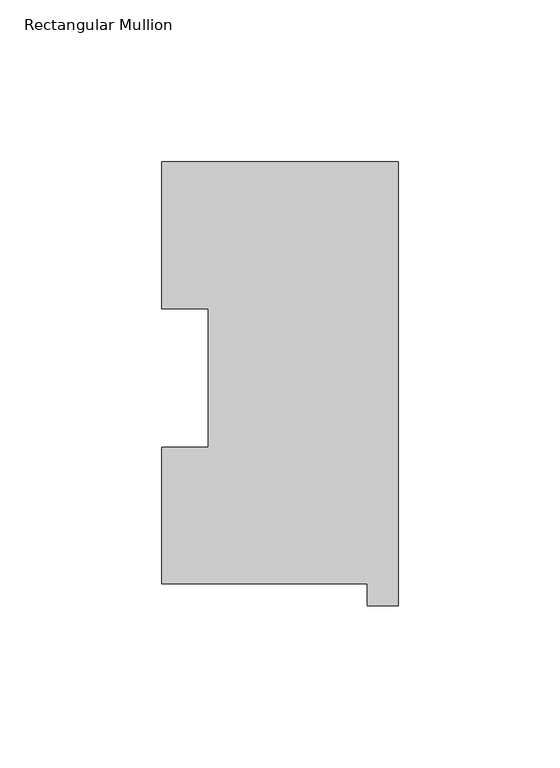
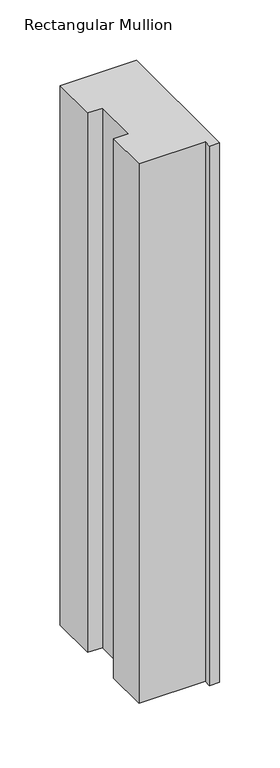
"""IFC4 building model written with IfcOpenShell, lengths in millimetres: member geometry, Rectangular Mullion."""

import ifcopenshell
import ifcopenshell.guid

model = None  # the IFC model being written
_history = None  # IfcOwnerHistory: only IFC2X3 demands one
_inside = {}  # id of a spatial element -> (the spatial element, [elements in it])
_under = {}  # id of a project, library or spatial element -> (it, [spatial elements below it])
_declared = {}  # id of a project -> (the project, [libraries it declares])
_typed = {}  # id of a type object -> (the type object, [elements of that type])
_made_of = {}  # id of a material, layer set ... -> (it, [elements and type objects made of it])


def new_model(schema):
    """Start an empty IFC model of exactly this schema.

    Asked for "IFC4X3", IfcOpenShell would pick the latest addendum, in which some entities
    have other attributes; the version numbers below select the first issue.
    IFC2X3 requires an IfcOwnerHistory on every rooted entity: one is made here for all.
    """
    global model, _history
    if schema == "IFC4X3":
        model = ifcopenshell.file(schema_version=(4, 3, 0, 0))
    else:
        model = ifcopenshell.file(schema=schema)
    _inside.clear()
    _under.clear()
    _declared.clear()
    _typed.clear()
    _made_of.clear()
    _history = None
    if model.schema == "IFC2X3":
        org = make("IfcOrganization", Name="unknown")
        user = make(
            "IfcPersonAndOrganization",
            ThePerson=make("IfcPerson", FamilyName="unknown"),
            TheOrganization=org,
        )
        app = make(
            "IfcApplication",
            ApplicationDeveloper=org,
            Version="unknown",
            ApplicationFullName="unknown",
            ApplicationIdentifier="unknown",
        )
        _history = make(
            "IfcOwnerHistory",
            OwningUser=user,
            OwningApplication=app,
            ChangeAction="ADDED",
            CreationDate=0,
        )
    return model


def make(cls, **values):
    """One entity of the class cls with the attributes given. An attribute that is None is left unset."""
    return model.create_entity(
        cls, **{name: value for name, value in values.items() if value is not None}
    )


def rooted(cls, **values):
    """An entity with a GlobalId (a new one), such as an element, a storey or a relation."""
    return make(cls, GlobalId=ifcopenshell.guid.new(), OwnerHistory=_history, **values)


def si_unit(unit_type, name, prefix=None):
    """IfcSIUnit, for example si_unit("LENGTHUNIT", "METRE", prefix="MILLI")."""
    return make("IfcSIUnit", UnitType=unit_type, Prefix=prefix, Name=name)


def assignment(units):
    """IfcUnitAssignment: the units of a project."""
    return None if units is None else make("IfcUnitAssignment", Units=units)


def point(xyz):
    """IfcCartesianPoint."""
    return None if xyz is None else make("IfcCartesianPoint", Coordinates=xyz)


def direction(xyz):
    """IfcDirection."""
    return None if xyz is None else make("IfcDirection", DirectionRatios=xyz)


def frame(location, z_axis=None, x_axis=None):
    """IfcAxis2Placement3D, a coordinate frame: its origin and axes. An axis left out is left unset."""
    return make(
        "IfcAxis2Placement3D",
        Location=point(location),
        Axis=direction(z_axis),
        RefDirection=direction(x_axis),
    )


def origin():
    """The frame at (0, 0, 0) with its axes left unset."""
    return frame((0.0, 0.0, 0.0))


def place(relative_to, where):
    """IfcLocalPlacement: puts the frame where relative to a parent placement (None: the world)."""
    return make(
        "IfcLocalPlacement", PlacementRelTo=relative_to, RelativePlacement=where
    )


def context(
    kind, dimensions, precision=None, world=None, true_north=None, identifier=None
):
    """IfcGeometricRepresentationContext, for example the 3D "Model" context."""
    return make(
        "IfcGeometricRepresentationContext",
        ContextIdentifier=identifier,
        ContextType=kind,
        CoordinateSpaceDimension=dimensions,
        Precision=precision,
        WorldCoordinateSystem=world,
        TrueNorth=true_north,
    )


def project(units=None, contexts=None):
    """IfcProject with its units and contexts."""
    return rooted(
        "IfcProject",
        Name="project",
        RepresentationContexts=contexts,
        UnitsInContext=assignment(units),
    )


def spatial(cls, under=None, at=None, **own):
    """A site, building, storey or space (cls), placed at a placement, below another one or the project."""
    s = rooted(cls, ObjectPlacement=at, **own)
    if under is not None:
        _under.setdefault(under.id(), (under, []))[1].append(s)
    return s


def polyline(points):
    """IfcPolyline through the points."""
    return make("IfcPolyline", Points=[point(p) for p in points])


def outline(outer, holes=None, kind="AREA"):
    """IfcArbitraryClosedProfileDef: a profile drawn as a closed curve; with holes, ...WithVoids."""
    if holes is None:
        return make("IfcArbitraryClosedProfileDef", ProfileType=kind, OuterCurve=outer)
    return make(
        "IfcArbitraryProfileDefWithVoids",
        ProfileType=kind,
        OuterCurve=outer,
        InnerCurves=holes,
    )


def extrude(swept, where, along, depth):
    """IfcExtrudedAreaSolid: the profile swept, set in the frame where, extruded along a direction by depth."""
    return make(
        "IfcExtrudedAreaSolid",
        SweptArea=swept,
        Position=where,
        ExtrudedDirection=direction(along),
        Depth=depth,
    )


def shape(context_of_items, identifier, shape_type, items):
    """IfcShapeRepresentation: the items that make up one representation, for example the "Body"."""
    return make(
        "IfcShapeRepresentation",
        ContextOfItems=context_of_items,
        RepresentationIdentifier=identifier,
        RepresentationType=shape_type,
        Items=items,
    )


def source(mapping_origin, context_of_items, identifier, shape_type, items):
    """IfcRepresentationMap: a shape defined once, which mapped items show again and again."""
    return make(
        "IfcRepresentationMap",
        MappingOrigin=mapping_origin,
        MappedRepresentation=shape(context_of_items, identifier, shape_type, items),
    )


def transform(
    local_origin,
    x_axis=None,
    y_axis=None,
    z_axis=None,
    scale=None,
    scale2=None,
    scale3=None,
    uniform=True,
):
    """IfcCartesianTransformationOperator3D, or its non-uniform kind. x_axis, y_axis, z_axis: its Axis1, 2, 3."""
    if uniform:
        return make(
            "IfcCartesianTransformationOperator3D",
            Axis1=direction(x_axis),
            Axis2=direction(y_axis),
            LocalOrigin=point(local_origin),
            Scale=scale,
            Axis3=direction(z_axis),
        )
    return make(
        "IfcCartesianTransformationOperator3DnonUniform",
        Axis1=direction(x_axis),
        Axis2=direction(y_axis),
        LocalOrigin=point(local_origin),
        Scale=scale,
        Axis3=direction(z_axis),
        Scale2=scale2,
        Scale3=scale3,
    )


def mapped(mapping_source, mapping_target):
    """IfcMappedItem: shows the shape of a source again, moved by a transform."""
    return make(
        "IfcMappedItem", MappingSource=mapping_source, MappingTarget=mapping_target
    )


def made_of(thing, what):
    """Note that an element or type object is made of a material, layer set ...; save() writes the relation."""
    if what is not None:
        _made_of.setdefault(what.id(), (what, []))[1].append(thing)
    return thing


def element(
    cls,
    number,
    at=None,
    inside=None,
    cuts=None,
    type_object=None,
    material=None,
    context=None,
    identifier="Body",
    shape_type=None,
    held_by="IfcProductDefinitionShape",
    body=None,
    shapes=None,
    **own,
):
    """One element of the class cls, such as IfcWall. Its Tag is "e" and its number.

    at: its placement. inside: the storey or other place that contains it. cuts: it is an
    opening in that element (IfcRelVoidsElement). A single representation is given by context,
    identifier, shape_type and body (its items); several are given by shapes. held_by: the class
    of the entity that holds the representations. save() writes the other relations.
    """
    e = rooted(cls, Tag="e%d" % number, ObjectPlacement=at, **own)
    if body is not None:
        shapes = [shape(context, identifier, shape_type, body)]
    if shapes is not None:
        e.Representation = make(held_by, Representations=shapes)
    if inside is not None:
        _inside.setdefault(inside.id(), (inside, []))[1].append(e)
    if cuts is not None:
        rooted(
            "IfcRelVoidsElement", RelatingBuildingElement=cuts, RelatedOpeningElement=e
        )
    if type_object is not None:
        _typed.setdefault(type_object.id(), (type_object, []))[1].append(e)
    return made_of(e, material)


def aggregate(whole, parts):
    """IfcRelAggregates: a whole, such as a stair, and the parts it consists of."""
    return rooted("IfcRelAggregates", RelatingObject=whole, RelatedObjects=parts)


def save(model, path):
    """Write the relations noted so far, then the file.

    IfcRelAggregates (storeys below a building ...), IfcRelContainedInSpatialStructure (elements
    in a storey), IfcRelDefinesByType, IfcRelAssociatesMaterial and IfcRelDeclares: one each for
    every whole, place, type object, material and project.
    """
    for whole, parts in _under.values():
        aggregate(whole, parts)
    for where, things in _inside.values():
        rooted(
            "IfcRelContainedInSpatialStructure",
            RelatedElements=things,
            RelatingStructure=where,
        )
    for kind, things in _typed.values():
        rooted("IfcRelDefinesByType", RelatedObjects=things, RelatingType=kind)
    for what, things in _made_of.values():
        rooted("IfcRelAssociatesMaterial", RelatedObjects=things, RelatingMaterial=what)
    for by, libraries in _declared.values():
        rooted("IfcRelDeclares", RelatingContext=by, RelatedDefinitions=libraries)
    model.write(path)


def rectangular_mullion_6a43720e(model_context):
    return source(origin(), model_context, "Body", "SweptSolid", [
        extrude(outline(polyline([(-73.025, 137.1925438), (0.0, 137.1925438), (0.0, -0.0182562), (-9.525, -0.0182562), (-9.525, 6.8905438), (-73.025, 6.8905438), (-73.025, 48.9275438), (-58.7502, 48.9275438), (-58.7502, 91.7773437), (-73.025, 91.7773438), (-73.025, 137.1925438)])), frame((0.0, 0.0, -545.0099167), z_axis=(0.0, 0.0, 1.0), x_axis=(1.0, 0.0, 0.0)), (0.0, 0.0, 1.0), 545.0099167),
    ])


if __name__ == "__main__":
    model = new_model("IFC4")
    model_context = context("Model", 3, world=origin())
    ifc_project = project(units=[si_unit("LENGTHUNIT", "METRE", prefix="MILLI")], contexts=[model_context])
    site = spatial("IfcSite", under=ifc_project)
    building = spatial("IfcBuilding", under=site)
    placement = place(None, origin())
    rectangular_mullion_shape = rectangular_mullion_6a43720e(model_context)
    element("IfcMember", 1, ObjectType="Rectangular Mullion", at=placement, inside=building, context=model_context, shape_type="MappedRepresentation", body=[
        mapped(rectangular_mullion_shape, transform((0.0, 0.0, 0.0), x_axis=(1.0, 0.0, 0.0), y_axis=(0.0, 1.0, 0.0), z_axis=(0.0, 0.0, 1.0))),
    ])
    save(model, "model.ifc")
